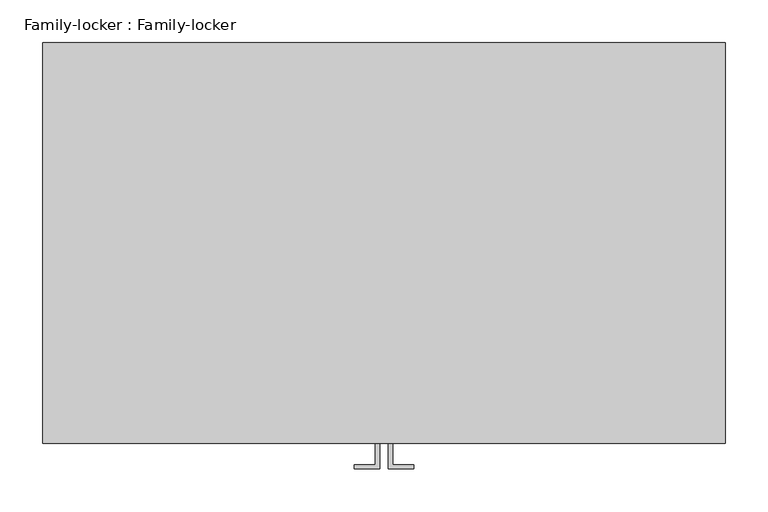
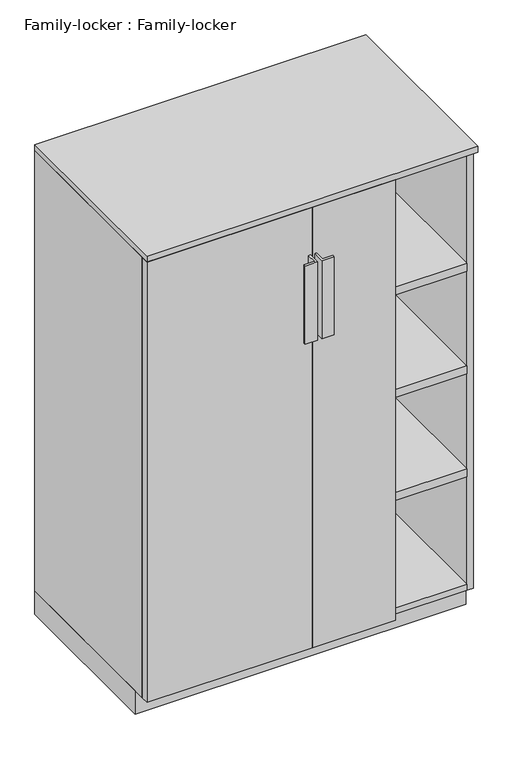
"""IFC4 building model written with IfcOpenShell, lengths in millimetres: proxy geometry, Family-locker : Family-locker."""

from ifc_helpers import new_model, si_unit, frame, origin, origin_with_axes, place, context, project, spatial, polyline, outline, extrude, source, transform, mapped, element, save


def family_locker_family_locker_802343c1(model_context):
    return source(origin(), model_context, "Body", "SweptSolid", [
        extrude(outline(polyline([(385.0, 210.0), (385.0, -225.0), (-385.0, -225.0), (-385.0, 210.0), (385.0, 210.0)])), frame((0.0, 0.0, 612.5), z_axis=(0.0, 0.0, 1.0), x_axis=(1.0, 0.0, 0.0)), (0.0, 0.0, 1.0), 20.0),
        extrude(outline(polyline([(385.0, 210.0), (385.0, -225.0), (-385.0, -225.0), (-385.0, 210.0), (385.0, 210.0)])), frame((0.0, 0.0, 875.0), z_axis=(0.0, 0.0, 1.0), x_axis=(1.0, 0.0, 0.0)), (0.0, 0.0, 1.0), 20.0),
        extrude(outline(polyline([(385.0, 210.0), (385.0, -225.0), (-385.0, -225.0), (-385.0, 210.0), (385.0, 210.0)])), frame((0.0, 0.0, 350.0), z_axis=(0.0, 0.0, 1.0), x_axis=(1.0, 0.0, 0.0)), (0.0, 0.0, 1.0), 20.0),
        extrude(outline(polyline([(-5.0, -275.0), (-35.0, -275.0), (-35.0, -270.0), (-10.0, -270.0), (-10.0, -245.0), (-5.0, -245.0), (-5.0, -275.0)])), frame((0.0, 0.0, 865.0), z_axis=(0.0, 0.0, 1.0), x_axis=(1.0, 0.0, 0.0)), (0.0, 0.0, 1.0), 200.0),
        extrude(outline(polyline([(5.0, -275.0), (5.0, -245.0), (10.0, -245.0), (10.0, -270.0), (35.0, -270.0), (35.0, -275.0), (5.0, -275.0)])), frame((0.0, 0.0, 865.0), z_axis=(0.0, 0.0, 1.0), x_axis=(1.0, 0.0, 0.0)), (0.0, 0.0, 1.0), 200.0),
        extrude(outline(polyline([(200.0, -225.0), (200.0, -245.0), (0.0, -245.0), (0.0, -225.0), (200.0, -225.0)])), frame((0.0, 0.0, 60.0), z_axis=(0.0, 0.0, 1.0), x_axis=(1.0, 0.0, 0.0)), (0.0, 0.0, 1.0), 1125.0),
        extrude(outline(polyline([(0.0, -225.0), (0.0, -245.0), (-400.0, -245.0), (-400.0, -225.0), (0.0, -225.0)])), frame((0.0, 0.0, 60.0), z_axis=(0.0, 0.0, 1.0), x_axis=(1.0, 0.0, 0.0)), (0.0, 0.0, 1.0), 1125.0),
        extrude(outline(polyline([(400.0, 225.0), (400.0, -245.0), (-400.0, -245.0), (-400.0, 225.0), (400.0, 225.0)])), frame((0.0, 0.0, 1185.0), z_axis=(0.0, 0.0, 1.0), x_axis=(1.0, 0.0, 0.0)), (0.0, 0.0, 1.0), 15.0),
        extrude(outline(polyline([(385.0, 210.0), (385.0, -225.0), (-385.0, -225.0), (-385.0, 210.0), (385.0, 210.0)])), frame((0.0, 0.0, 60.0), z_axis=(0.0, 0.0, 1.0), x_axis=(1.0, 0.0, 0.0)), (0.0, 0.0, 1.0), 15.0),
        extrude(outline(polyline([(385.0, 225.0), (385.0, 210.0), (-385.0, 210.0), (-385.0, 225.0), (385.0, 225.0)])), frame((0.0, 0.0, 60.0), z_axis=(0.0, 0.0, 1.0), x_axis=(1.0, 0.0, 0.0)), (0.0, 0.0, 1.0), 1125.0),
        extrude(outline(polyline([(-385.0, 225.0), (-385.0, -225.0), (-400.0, -225.0), (-400.0, 225.0), (-385.0, 225.0)])), frame((0.0, 0.0, 60.0), z_axis=(0.0, 0.0, 1.0), x_axis=(1.0, 0.0, 0.0)), (0.0, 0.0, 1.0), 1125.0),
        extrude(outline(polyline([(400.0, 225.0), (400.0, -225.0), (385.0, -225.0), (385.0, 225.0), (400.0, 225.0)])), frame((0.0, 0.0, 60.0), z_axis=(0.0, 0.0, 1.0), x_axis=(1.0, 0.0, 0.0)), (0.0, 0.0, 1.0), 1125.0),
        extrude(outline(polyline([(400.0, 225.0), (400.0, -195.0), (-400.0, -195.0), (-400.0, 225.0), (400.0, 225.0)])), origin_with_axes(), (0.0, 0.0, 1.0), 60.0),
    ])


if __name__ == "__main__":
    model = new_model("IFC4")
    model_context = context("Model", 3, world=origin())
    ifc_project = project(units=[si_unit("LENGTHUNIT", "METRE", prefix="MILLI")], contexts=[model_context])
    site = spatial("IfcSite", under=ifc_project)
    building = spatial("IfcBuilding", under=site)
    placement = place(None, origin())
    family_locker_family_locker_shape = family_locker_family_locker_802343c1(model_context)
    element("IfcBuildingElementProxy", 1, Name="Family-locker : Family-locker", ObjectType="Family-locker : Family-locker", at=placement, inside=building, context=model_context, shape_type="MappedRepresentation", body=[
        mapped(family_locker_family_locker_shape, transform((0.0, 0.0, 0.0), x_axis=(1.0, 0.0, 0.0), y_axis=(0.0, 1.0, 0.0), z_axis=(0.0, 0.0, 1.0))),
    ])
    save(model, "model.ifc")
